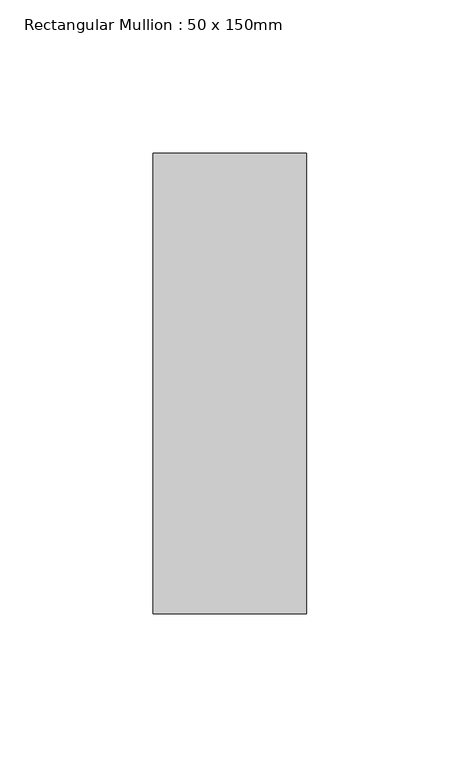
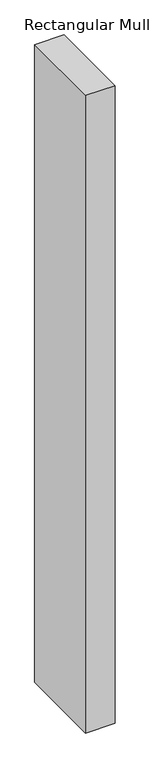
"""IFC4 building model written with IfcOpenShell, lengths in millimetres: member geometry, Rectangular Mullion : 50 x 150mm."""

import ifcopenshell
import ifcopenshell.guid

model = None  # the IFC model being written
_history = None  # IfcOwnerHistory: only IFC2X3 demands one
_inside = {}  # id of a spatial element -> (the spatial element, [elements in it])
_under = {}  # id of a project, library or spatial element -> (it, [spatial elements below it])
_declared = {}  # id of a project -> (the project, [libraries it declares])
_typed = {}  # id of a type object -> (the type object, [elements of that type])
_made_of = {}  # id of a material, layer set ... -> (it, [elements and type objects made of it])


def new_model(schema):
    """Start an empty IFC model of exactly this schema.

    Asked for "IFC4X3", IfcOpenShell would pick the latest addendum, in which some entities
    have other attributes; the version numbers below select the first issue.
    IFC2X3 requires an IfcOwnerHistory on every rooted entity: one is made here for all.
    """
    global model, _history
    if schema == "IFC4X3":
        model = ifcopenshell.file(schema_version=(4, 3, 0, 0))
    else:
        model = ifcopenshell.file(schema=schema)
    _inside.clear()
    _under.clear()
    _declared.clear()
    _typed.clear()
    _made_of.clear()
    _history = None
    if model.schema == "IFC2X3":
        org = make("IfcOrganization", Name="unknown")
        user = make(
            "IfcPersonAndOrganization",
            ThePerson=make("IfcPerson", FamilyName="unknown"),
            TheOrganization=org,
        )
        app = make(
            "IfcApplication",
            ApplicationDeveloper=org,
            Version="unknown",
            ApplicationFullName="unknown",
            ApplicationIdentifier="unknown",
        )
        _history = make(
            "IfcOwnerHistory",
            OwningUser=user,
            OwningApplication=app,
            ChangeAction="ADDED",
            CreationDate=0,
        )
    return model


def make(cls, **values):
    """One entity of the class cls with the attributes given. An attribute that is None is left unset."""
    return model.create_entity(
        cls, **{name: value for name, value in values.items() if value is not None}
    )


def rooted(cls, **values):
    """An entity with a GlobalId (a new one), such as an element, a storey or a relation."""
    return make(cls, GlobalId=ifcopenshell.guid.new(), OwnerHistory=_history, **values)


def si_unit(unit_type, name, prefix=None):
    """IfcSIUnit, for example si_unit("LENGTHUNIT", "METRE", prefix="MILLI")."""
    return make("IfcSIUnit", UnitType=unit_type, Prefix=prefix, Name=name)


def assignment(units):
    """IfcUnitAssignment: the units of a project."""
    return None if units is None else make("IfcUnitAssignment", Units=units)


def point(xyz):
    """IfcCartesianPoint."""
    return None if xyz is None else make("IfcCartesianPoint", Coordinates=xyz)


def direction(xyz):
    """IfcDirection."""
    return None if xyz is None else make("IfcDirection", DirectionRatios=xyz)


def frame(location, z_axis=None, x_axis=None):
    """IfcAxis2Placement3D, a coordinate frame: its origin and axes. An axis left out is left unset."""
    return make(
        "IfcAxis2Placement3D",
        Location=point(location),
        Axis=direction(z_axis),
        RefDirection=direction(x_axis),
    )


def origin():
    """The frame at (0, 0, 0) with its axes left unset."""
    return frame((0.0, 0.0, 0.0))


def place(relative_to, where):
    """IfcLocalPlacement: puts the frame where relative to a parent placement (None: the world)."""
    return make(
        "IfcLocalPlacement", PlacementRelTo=relative_to, RelativePlacement=where
    )


def context(
    kind, dimensions, precision=None, world=None, true_north=None, identifier=None
):
    """IfcGeometricRepresentationContext, for example the 3D "Model" context."""
    return make(
        "IfcGeometricRepresentationContext",
        ContextIdentifier=identifier,
        ContextType=kind,
        CoordinateSpaceDimension=dimensions,
        Precision=precision,
        WorldCoordinateSystem=world,
        TrueNorth=true_north,
    )


def project(units=None, contexts=None):
    """IfcProject with its units and contexts."""
    return rooted(
        "IfcProject",
        Name="project",
        RepresentationContexts=contexts,
        UnitsInContext=assignment(units),
    )


def spatial(cls, under=None, at=None, **own):
    """A site, building, storey or space (cls), placed at a placement, below another one or the project."""
    s = rooted(cls, ObjectPlacement=at, **own)
    if under is not None:
        _under.setdefault(under.id(), (under, []))[1].append(s)
    return s


def polyline(points):
    """IfcPolyline through the points."""
    return make("IfcPolyline", Points=[point(p) for p in points])


def outline(outer, holes=None, kind="AREA"):
    """IfcArbitraryClosedProfileDef: a profile drawn as a closed curve; with holes, ...WithVoids."""
    if holes is None:
        return make("IfcArbitraryClosedProfileDef", ProfileType=kind, OuterCurve=outer)
    return make(
        "IfcArbitraryProfileDefWithVoids",
        ProfileType=kind,
        OuterCurve=outer,
        InnerCurves=holes,
    )


def extrude(swept, where, along, depth):
    """IfcExtrudedAreaSolid: the profile swept, set in the frame where, extruded along a direction by depth."""
    return make(
        "IfcExtrudedAreaSolid",
        SweptArea=swept,
        Position=where,
        ExtrudedDirection=direction(along),
        Depth=depth,
    )


def shape(context_of_items, identifier, shape_type, items):
    """IfcShapeRepresentation: the items that make up one representation, for example the "Body"."""
    return make(
        "IfcShapeRepresentation",
        ContextOfItems=context_of_items,
        RepresentationIdentifier=identifier,
        RepresentationType=shape_type,
        Items=items,
    )


def source(mapping_origin, context_of_items, identifier, shape_type, items):
    """IfcRepresentationMap: a shape defined once, which mapped items show again and again."""
    return make(
        "IfcRepresentationMap",
        MappingOrigin=mapping_origin,
        MappedRepresentation=shape(context_of_items, identifier, shape_type, items),
    )


def transform(
    local_origin,
    x_axis=None,
    y_axis=None,
    z_axis=None,
    scale=None,
    scale2=None,
    scale3=None,
    uniform=True,
):
    """IfcCartesianTransformationOperator3D, or its non-uniform kind. x_axis, y_axis, z_axis: its Axis1, 2, 3."""
    if uniform:
        return make(
            "IfcCartesianTransformationOperator3D",
            Axis1=direction(x_axis),
            Axis2=direction(y_axis),
            LocalOrigin=point(local_origin),
            Scale=scale,
            Axis3=direction(z_axis),
        )
    return make(
        "IfcCartesianTransformationOperator3DnonUniform",
        Axis1=direction(x_axis),
        Axis2=direction(y_axis),
        LocalOrigin=point(local_origin),
        Scale=scale,
        Axis3=direction(z_axis),
        Scale2=scale2,
        Scale3=scale3,
    )


def mapped(mapping_source, mapping_target):
    """IfcMappedItem: shows the shape of a source again, moved by a transform."""
    return make(
        "IfcMappedItem", MappingSource=mapping_source, MappingTarget=mapping_target
    )


def made_of(thing, what):
    """Note that an element or type object is made of a material, layer set ...; save() writes the relation."""
    if what is not None:
        _made_of.setdefault(what.id(), (what, []))[1].append(thing)
    return thing


def element(
    cls,
    number,
    at=None,
    inside=None,
    cuts=None,
    type_object=None,
    material=None,
    context=None,
    identifier="Body",
    shape_type=None,
    held_by="IfcProductDefinitionShape",
    body=None,
    shapes=None,
    **own,
):
    """One element of the class cls, such as IfcWall. Its Tag is "e" and its number.

    at: its placement. inside: the storey or other place that contains it. cuts: it is an
    opening in that element (IfcRelVoidsElement). A single representation is given by context,
    identifier, shape_type and body (its items); several are given by shapes. held_by: the class
    of the entity that holds the representations. save() writes the other relations.
    """
    e = rooted(cls, Tag="e%d" % number, ObjectPlacement=at, **own)
    if body is not None:
        shapes = [shape(context, identifier, shape_type, body)]
    if shapes is not None:
        e.Representation = make(held_by, Representations=shapes)
    if inside is not None:
        _inside.setdefault(inside.id(), (inside, []))[1].append(e)
    if cuts is not None:
        rooted(
            "IfcRelVoidsElement", RelatingBuildingElement=cuts, RelatedOpeningElement=e
        )
    if type_object is not None:
        _typed.setdefault(type_object.id(), (type_object, []))[1].append(e)
    return made_of(e, material)


def aggregate(whole, parts):
    """IfcRelAggregates: a whole, such as a stair, and the parts it consists of."""
    return rooted("IfcRelAggregates", RelatingObject=whole, RelatedObjects=parts)


def save(model, path):
    """Write the relations noted so far, then the file.

    IfcRelAggregates (storeys below a building ...), IfcRelContainedInSpatialStructure (elements
    in a storey), IfcRelDefinesByType, IfcRelAssociatesMaterial and IfcRelDeclares: one each for
    every whole, place, type object, material and project.
    """
    for whole, parts in _under.values():
        aggregate(whole, parts)
    for where, things in _inside.values():
        rooted(
            "IfcRelContainedInSpatialStructure",
            RelatedElements=things,
            RelatingStructure=where,
        )
    for kind, things in _typed.values():
        rooted("IfcRelDefinesByType", RelatedObjects=things, RelatingType=kind)
    for what, things in _made_of.values():
        rooted("IfcRelAssociatesMaterial", RelatedObjects=things, RelatingMaterial=what)
    for by, libraries in _declared.values():
        rooted("IfcRelDeclares", RelatingContext=by, RelatedDefinitions=libraries)
    model.write(path)


def rectangular_mullion_50_x_150mm_1ca5baa6(model_context):
    return source(origin(), model_context, "Body", "SweptSolid", [
        extrude(outline(polyline([(0.0, 75.0), (0.0, -75.0), (-50.0, -75.0), (-50.0, 75.0), (0.0, 75.0)])), frame((0.0, 0.0, -1146.6573503), z_axis=(0.0, 0.0, 1.0), x_axis=(1.0, 0.0, 0.0)), (0.0, 0.0, 1.0), 1146.6573503),
    ])


if __name__ == "__main__":
    model = new_model("IFC4")
    model_context = context("Model", 3, world=origin())
    ifc_project = project(units=[si_unit("LENGTHUNIT", "METRE", prefix="MILLI")], contexts=[model_context])
    site = spatial("IfcSite", under=ifc_project)
    building = spatial("IfcBuilding", under=site)
    placement = place(None, origin())
    rectangular_mullion_50_x_150mm_shape = rectangular_mullion_50_x_150mm_1ca5baa6(model_context)
    element("IfcMember", 1, ObjectType="Rectangular Mullion : 50 x 150mm", at=placement, inside=building, context=model_context, shape_type="MappedRepresentation", body=[
        mapped(rectangular_mullion_50_x_150mm_shape, transform((0.0, 0.0, 0.0), x_axis=(1.0, 0.0, 0.0), y_axis=(0.0, 1.0, 0.0), z_axis=(0.0, 0.0, 1.0))),
    ])
    save(model, "model.ifc")
